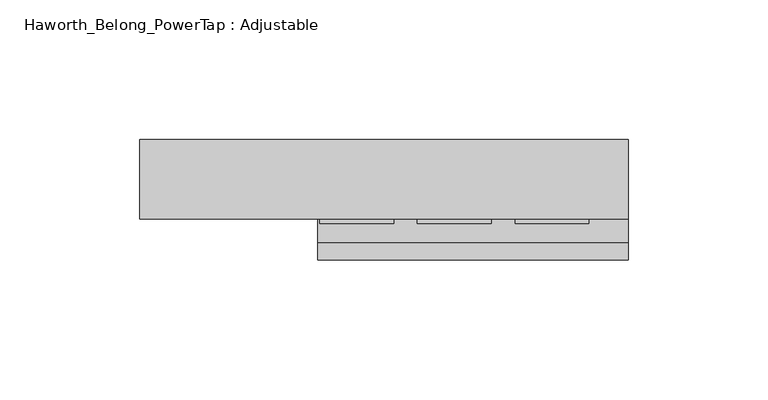
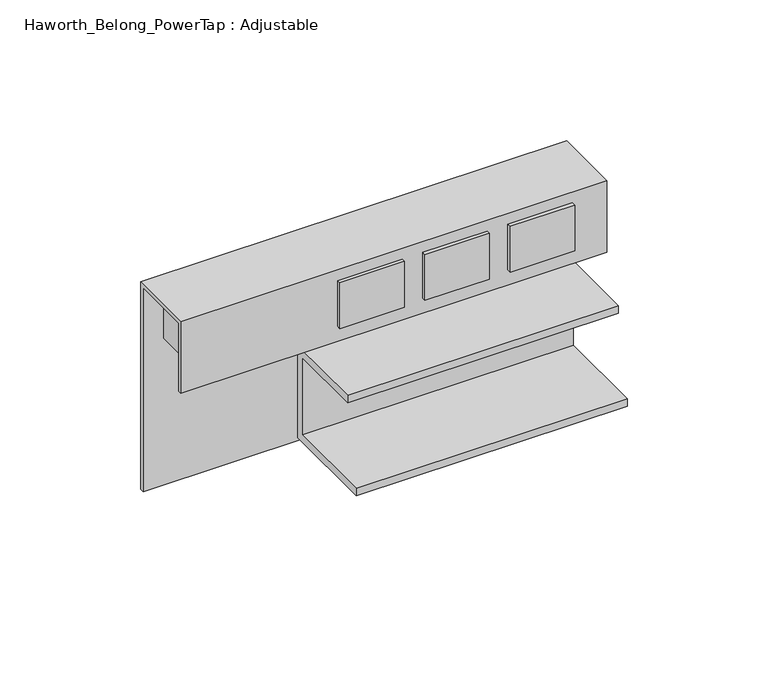
"""IFC4 building model written with IfcOpenShell, lengths in millimetres: furniture geometry, Haworth_Belong_PowerTap : Adjustable."""

import ifcopenshell
import ifcopenshell.guid

model = None  # the IFC model being written
_history = None  # IfcOwnerHistory: only IFC2X3 demands one
_inside = {}  # id of a spatial element -> (the spatial element, [elements in it])
_under = {}  # id of a project, library or spatial element -> (it, [spatial elements below it])
_declared = {}  # id of a project -> (the project, [libraries it declares])
_typed = {}  # id of a type object -> (the type object, [elements of that type])
_made_of = {}  # id of a material, layer set ... -> (it, [elements and type objects made of it])


def new_model(schema):
    """Start an empty IFC model of exactly this schema.

    Asked for "IFC4X3", IfcOpenShell would pick the latest addendum, in which some entities
    have other attributes; the version numbers below select the first issue.
    IFC2X3 requires an IfcOwnerHistory on every rooted entity: one is made here for all.
    """
    global model, _history
    if schema == "IFC4X3":
        model = ifcopenshell.file(schema_version=(4, 3, 0, 0))
    else:
        model = ifcopenshell.file(schema=schema)
    _inside.clear()
    _under.clear()
    _declared.clear()
    _typed.clear()
    _made_of.clear()
    _history = None
    if model.schema == "IFC2X3":
        org = make("IfcOrganization", Name="unknown")
        user = make(
            "IfcPersonAndOrganization",
            ThePerson=make("IfcPerson", FamilyName="unknown"),
            TheOrganization=org,
        )
        app = make(
            "IfcApplication",
            ApplicationDeveloper=org,
            Version="unknown",
            ApplicationFullName="unknown",
            ApplicationIdentifier="unknown",
        )
        _history = make(
            "IfcOwnerHistory",
            OwningUser=user,
            OwningApplication=app,
            ChangeAction="ADDED",
            CreationDate=0,
        )
    return model


def make(cls, **values):
    """One entity of the class cls with the attributes given. An attribute that is None is left unset."""
    return model.create_entity(
        cls, **{name: value for name, value in values.items() if value is not None}
    )


def rooted(cls, **values):
    """An entity with a GlobalId (a new one), such as an element, a storey or a relation."""
    return make(cls, GlobalId=ifcopenshell.guid.new(), OwnerHistory=_history, **values)


def si_unit(unit_type, name, prefix=None):
    """IfcSIUnit, for example si_unit("LENGTHUNIT", "METRE", prefix="MILLI")."""
    return make("IfcSIUnit", UnitType=unit_type, Prefix=prefix, Name=name)


def assignment(units):
    """IfcUnitAssignment: the units of a project."""
    return None if units is None else make("IfcUnitAssignment", Units=units)


def point(xyz):
    """IfcCartesianPoint."""
    return None if xyz is None else make("IfcCartesianPoint", Coordinates=xyz)


def direction(xyz):
    """IfcDirection."""
    return None if xyz is None else make("IfcDirection", DirectionRatios=xyz)


def frame(location, z_axis=None, x_axis=None):
    """IfcAxis2Placement3D, a coordinate frame: its origin and axes. An axis left out is left unset."""
    return make(
        "IfcAxis2Placement3D",
        Location=point(location),
        Axis=direction(z_axis),
        RefDirection=direction(x_axis),
    )


def origin():
    """The frame at (0, 0, 0) with its axes left unset."""
    return frame((0.0, 0.0, 0.0))


def place(relative_to, where):
    """IfcLocalPlacement: puts the frame where relative to a parent placement (None: the world)."""
    return make(
        "IfcLocalPlacement", PlacementRelTo=relative_to, RelativePlacement=where
    )


def context(
    kind, dimensions, precision=None, world=None, true_north=None, identifier=None
):
    """IfcGeometricRepresentationContext, for example the 3D "Model" context."""
    return make(
        "IfcGeometricRepresentationContext",
        ContextIdentifier=identifier,
        ContextType=kind,
        CoordinateSpaceDimension=dimensions,
        Precision=precision,
        WorldCoordinateSystem=world,
        TrueNorth=true_north,
    )


def project(units=None, contexts=None):
    """IfcProject with its units and contexts."""
    return rooted(
        "IfcProject",
        Name="project",
        RepresentationContexts=contexts,
        UnitsInContext=assignment(units),
    )


def spatial(cls, under=None, at=None, **own):
    """A site, building, storey or space (cls), placed at a placement, below another one or the project."""
    s = rooted(cls, ObjectPlacement=at, **own)
    if under is not None:
        _under.setdefault(under.id(), (under, []))[1].append(s)
    return s


def polyline(points):
    """IfcPolyline through the points."""
    return make("IfcPolyline", Points=[point(p) for p in points])


def outline(outer, holes=None, kind="AREA"):
    """IfcArbitraryClosedProfileDef: a profile drawn as a closed curve; with holes, ...WithVoids."""
    if holes is None:
        return make("IfcArbitraryClosedProfileDef", ProfileType=kind, OuterCurve=outer)
    return make(
        "IfcArbitraryProfileDefWithVoids",
        ProfileType=kind,
        OuterCurve=outer,
        InnerCurves=holes,
    )


def extrude(swept, where, along, depth):
    """IfcExtrudedAreaSolid: the profile swept, set in the frame where, extruded along a direction by depth."""
    return make(
        "IfcExtrudedAreaSolid",
        SweptArea=swept,
        Position=where,
        ExtrudedDirection=direction(along),
        Depth=depth,
    )


def shape(context_of_items, identifier, shape_type, items):
    """IfcShapeRepresentation: the items that make up one representation, for example the "Body"."""
    return make(
        "IfcShapeRepresentation",
        ContextOfItems=context_of_items,
        RepresentationIdentifier=identifier,
        RepresentationType=shape_type,
        Items=items,
    )


def source(mapping_origin, context_of_items, identifier, shape_type, items):
    """IfcRepresentationMap: a shape defined once, which mapped items show again and again."""
    return make(
        "IfcRepresentationMap",
        MappingOrigin=mapping_origin,
        MappedRepresentation=shape(context_of_items, identifier, shape_type, items),
    )


def transform(
    local_origin,
    x_axis=None,
    y_axis=None,
    z_axis=None,
    scale=None,
    scale2=None,
    scale3=None,
    uniform=True,
):
    """IfcCartesianTransformationOperator3D, or its non-uniform kind. x_axis, y_axis, z_axis: its Axis1, 2, 3."""
    if uniform:
        return make(
            "IfcCartesianTransformationOperator3D",
            Axis1=direction(x_axis),
            Axis2=direction(y_axis),
            LocalOrigin=point(local_origin),
            Scale=scale,
            Axis3=direction(z_axis),
        )
    return make(
        "IfcCartesianTransformationOperator3DnonUniform",
        Axis1=direction(x_axis),
        Axis2=direction(y_axis),
        LocalOrigin=point(local_origin),
        Scale=scale,
        Axis3=direction(z_axis),
        Scale2=scale2,
        Scale3=scale3,
    )


def mapped(mapping_source, mapping_target):
    """IfcMappedItem: shows the shape of a source again, moved by a transform."""
    return make(
        "IfcMappedItem", MappingSource=mapping_source, MappingTarget=mapping_target
    )


def made_of(thing, what):
    """Note that an element or type object is made of a material, layer set ...; save() writes the relation."""
    if what is not None:
        _made_of.setdefault(what.id(), (what, []))[1].append(thing)
    return thing


def element(
    cls,
    number,
    at=None,
    inside=None,
    cuts=None,
    type_object=None,
    material=None,
    context=None,
    identifier="Body",
    shape_type=None,
    held_by="IfcProductDefinitionShape",
    body=None,
    shapes=None,
    **own,
):
    """One element of the class cls, such as IfcWall. Its Tag is "e" and its number.

    at: its placement. inside: the storey or other place that contains it. cuts: it is an
    opening in that element (IfcRelVoidsElement). A single representation is given by context,
    identifier, shape_type and body (its items); several are given by shapes. held_by: the class
    of the entity that holds the representations. save() writes the other relations.
    """
    e = rooted(cls, Tag="e%d" % number, ObjectPlacement=at, **own)
    if body is not None:
        shapes = [shape(context, identifier, shape_type, body)]
    if shapes is not None:
        e.Representation = make(held_by, Representations=shapes)
    if inside is not None:
        _inside.setdefault(inside.id(), (inside, []))[1].append(e)
    if cuts is not None:
        rooted(
            "IfcRelVoidsElement", RelatingBuildingElement=cuts, RelatedOpeningElement=e
        )
    if type_object is not None:
        _typed.setdefault(type_object.id(), (type_object, []))[1].append(e)
    return made_of(e, material)


def aggregate(whole, parts):
    """IfcRelAggregates: a whole, such as a stair, and the parts it consists of."""
    return rooted("IfcRelAggregates", RelatingObject=whole, RelatedObjects=parts)


def save(model, path):
    """Write the relations noted so far, then the file.

    IfcRelAggregates (storeys below a building ...), IfcRelContainedInSpatialStructure (elements
    in a storey), IfcRelDefinesByType, IfcRelAssociatesMaterial and IfcRelDeclares: one each for
    every whole, place, type object, material and project.
    """
    for whole, parts in _under.values():
        aggregate(whole, parts)
    for where, things in _inside.values():
        rooted(
            "IfcRelContainedInSpatialStructure",
            RelatedElements=things,
            RelatingStructure=where,
        )
    for kind, things in _typed.values():
        rooted("IfcRelDefinesByType", RelatedObjects=things, RelatingType=kind)
    for what, things in _made_of.values():
        rooted("IfcRelAssociatesMaterial", RelatedObjects=things, RelatingMaterial=what)
    for by, libraries in _declared.values():
        rooted("IfcRelDeclares", RelatingContext=by, RelatedDefinitions=libraries)
    model.write(path)


def haworth_belong_powertap_adjustable_3a96a094(model_context):
    return source(origin(), model_context, "Body", "SweptSolid", [
        extrude(outline(polyline([(243.2966011, -4.0266021), (243.2966011, -25.4), (84.8272049, -25.4), (84.8272049, -4.0266021), (243.2966011, -4.0266021)])), frame((0.0, 0.0, 789.78125), z_axis=(0.0, 0.0, 1.0), x_axis=(1.0, 0.0, 0.0)), (0.0, 0.0, 1.0), 19.84375),
        extrude(outline(polyline([(168.5163029, -30.026522), (142.1003032, -30.026522), (142.1003032, -28.4734), (168.5163029, -28.4734), (168.5163029, -30.026522)])), frame((0.0, 0.0, 789.78125), z_axis=(0.0, 0.0, 1.0), x_axis=(1.0, 0.0, 0.0)), (0.0, 0.0, 1.0), 19.84375),
        extrude(outline(polyline([(203.4413037, -30.026522), (177.0253028, -30.026522), (177.0253028, -28.4734), (203.4413037, -28.4734), (203.4413037, -30.026522)])), frame((0.0, 0.0, 789.78125), z_axis=(0.0, 0.0, 1.0), x_axis=(1.0, 0.0, 0.0)), (0.0, 0.0, 1.0), 19.84375),
        extrude(outline(polyline([(238.3663022, -30.026522), (211.9503047, -30.026522), (211.9503047, -28.4734), (238.3663022, -28.4734), (238.3663022, -30.026522)])), frame((0.0, 0.0, 789.78125), z_axis=(0.0, 0.0, 1.0), x_axis=(1.0, 0.0, 0.0)), (0.0, 0.0, 1.0), 19.84375),
        extrude(outline(polyline([(-1.5875, 765.175), (-1.5875, 725.4875), (-43.1292005, 725.4875), (-43.1292005, 728.6625), (-4.7625, 728.6625), (-4.7625, 762.0), (-36.7791998, 762.0), (-36.7791998, 765.175), (-1.5875, 765.175)])), frame((141.3509999, 0.0, 0.0), z_axis=(1.0, 0.0, 0.0), x_axis=(0.0, 1.0, 0.0)), (0.0, 0.0, 1.0), 111.0615001),
        extrude(outline(polyline([(-28.4734, 814.3875), (0.0, 814.3875), (0.0, 724.3165602), (-1.5875, 724.3165602), (-1.5875, 812.8), (-26.8859, 812.8), (-26.8859, 783.2445608), (-28.4734, 783.2445608), (-28.4734, 814.3875)])), frame((77.7875, 0.0, 0.0), z_axis=(1.0, 0.0, 0.0), x_axis=(0.0, 1.0, 0.0)), (0.0, 0.0, 1.0), 174.625),
    ])


if __name__ == "__main__":
    model = new_model("IFC4")
    model_context = context("Model", 3, world=origin())
    ifc_project = project(units=[si_unit("LENGTHUNIT", "METRE", prefix="MILLI")], contexts=[model_context])
    site = spatial("IfcSite", under=ifc_project)
    building = spatial("IfcBuilding", under=site)
    placement = place(None, origin())
    haworth_belong_powertap_adjustable_shape = haworth_belong_powertap_adjustable_3a96a094(model_context)
    element("IfcFurniture", 1, ObjectType="Haworth_Belong_PowerTap : Adjustable", at=placement, inside=building, context=model_context, shape_type="MappedRepresentation", body=[
        mapped(haworth_belong_powertap_adjustable_shape, transform((0.0, 0.0, 0.0), x_axis=(1.0, 0.0, 0.0), y_axis=(0.0, 1.0, 0.0), z_axis=(0.0, 0.0, 1.0))),
    ])
    save(model, "model.ifc")
